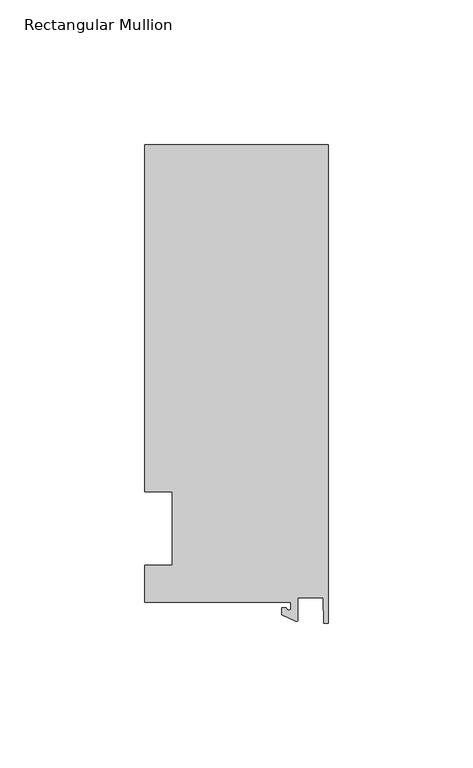
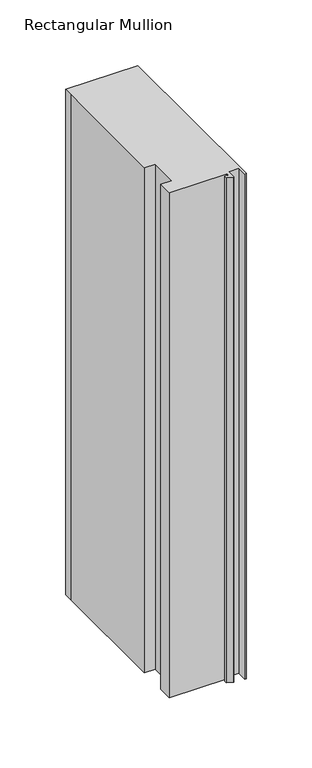
"""IFC4 building model written with IfcOpenShell, lengths in millimetres: member geometry, Rectangular Mullion."""

from ifc_helpers import new_model, si_unit, point, frame, frame_2d, origin, place, context, project, spatial, polyline, circle_curve, trimmed, segment, composite_curve, outline, extrude, source, transform, mapped, element, save


def rectangular_mullion_776935fe(model_context):
    return source(origin(), model_context, "Body", "SweptSolid", [
        extrude(outline(composite_curve([segment(polyline([(-12.8216721, -25.5984375), (-63.5, -25.5984375), (-63.5, -12.7), (-53.975, -12.7), (-53.975, 12.7), (-63.5, 12.7), (-63.5, 125.075512), (-63.5, 132.822512), (0.0, 132.822512), (0.0, -32.810012), (-1.5566453, -32.810012), (-1.7144124, -23.9227662), (-10.4340721, -23.9227662), (-10.4340721, -31.6795354)]), True, "CONTINUOUS"), segment(trimmed(circle_curve(frame_2d((-10.9420721, -31.6795354)), 0.508), [point((-10.4340721, -31.6795354))], [point((-11.1567622, -32.1399398))], False, "CARTESIAN"), True, "CONTINUOUS"), segment(polyline([(-11.1567622, -32.1399398), (-15.9966721, -29.8830527), (-15.9966721, -27.5208534), (-14.4091721, -27.5208534)]), True, "CONTINUOUS"), segment(trimmed(circle_curve(frame_2d((-13.6154221, -27.5208534)), 0.79375), [point((-14.4091721, -27.5208534))], [point((-12.8216721, -27.5208534))], True, "CARTESIAN"), True, "CONTINUOUS"), segment(polyline([(-12.8216721, -27.5208534), (-12.8216721, -25.5984375)]), True, "CONTINUOUS")], self_intersect=False)), frame((0.0, 0.0, -470.182795), z_axis=(0.0, 0.0, 1.0), x_axis=(1.0, 0.0, 0.0)), (0.0, 0.0, 1.0), 470.182795),
    ])


if __name__ == "__main__":
    model = new_model("IFC4")
    model_context = context("Model", 3, world=origin())
    ifc_project = project(units=[si_unit("LENGTHUNIT", "METRE", prefix="MILLI")], contexts=[model_context])
    site = spatial("IfcSite", under=ifc_project)
    building = spatial("IfcBuilding", under=site)
    placement = place(None, origin())
    rectangular_mullion_shape = rectangular_mullion_776935fe(model_context)
    element("IfcMember", 1, ObjectType="Rectangular Mullion", at=placement, inside=building, context=model_context, shape_type="MappedRepresentation", body=[
        mapped(rectangular_mullion_shape, transform((0.0, 0.0, 0.0), x_axis=(1.0, 0.0, 0.0), y_axis=(0.0, 1.0, 0.0), z_axis=(0.0, 0.0, 1.0))),
    ])
    save(model, "model.ifc")
